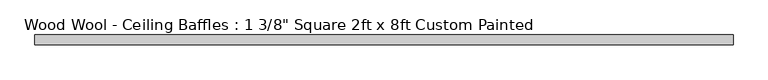
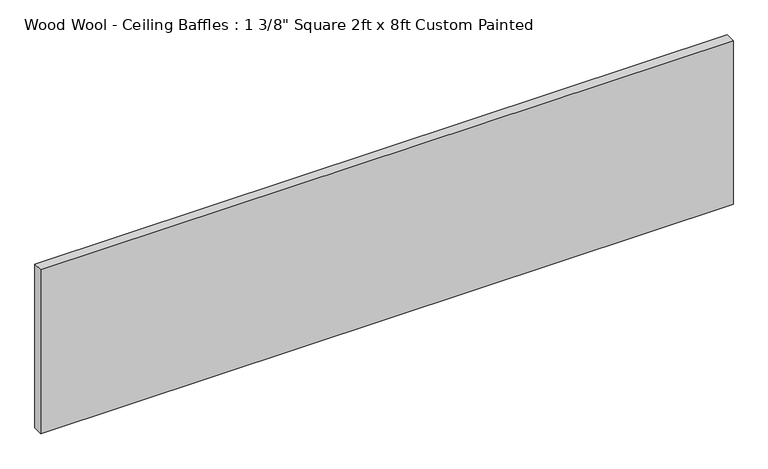
"""IFC4 building model written with IfcOpenShell, lengths in millimetres: proxy geometry."""

from ifc_helpers import new_model, si_unit, origin, origin_with_axes, place, context, project, spatial, polyline, outline, extrude, source, transform, mapped, element, save


def proxy_ba4d26d7(model_context):
    return source(origin(), model_context, "Body", "SweptSolid", [
        extrude(outline(polyline([(1219.2, -34.925), (-1219.2, -34.925), (-1219.2, 0.0), (1219.2, 0.0), (1219.2, -34.925)])), origin_with_axes(), (0.0, 0.0, 1.0), 609.6),
    ])


if __name__ == "__main__":
    model = new_model("IFC4")
    model_context = context("Model", 3, world=origin())
    ifc_project = project(units=[si_unit("LENGTHUNIT", "METRE", prefix="MILLI")], contexts=[model_context])
    site = spatial("IfcSite", under=ifc_project)
    building = spatial("IfcBuilding", under=site)
    placement = place(None, origin())
    proxy_shape = proxy_ba4d26d7(model_context)
    element("IfcBuildingElementProxy", 1, Name="Wood Wool - Ceiling Baffles : 1 3/8\" Square 2ft x 8ft Custom Painted", ObjectType="Wood Wool - Ceiling Baffles : 1 3/8\" Square 2ft x 8ft Custom Painted", at=placement, inside=building, context=model_context, shape_type="MappedRepresentation", body=[
        mapped(proxy_shape, transform((0.0, 0.0, 0.0), x_axis=(1.0, 0.0, 0.0), y_axis=(0.0, 1.0, 0.0), z_axis=(0.0, 0.0, 1.0))),
    ])
    save(model, "model.ifc")
